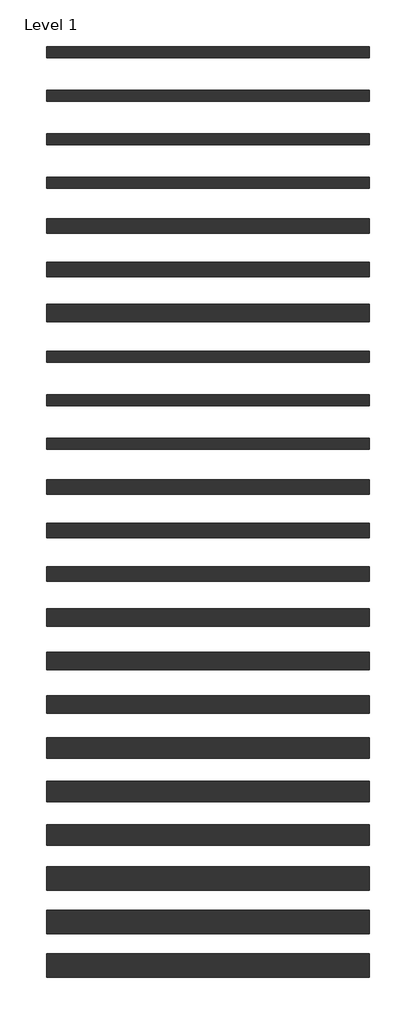
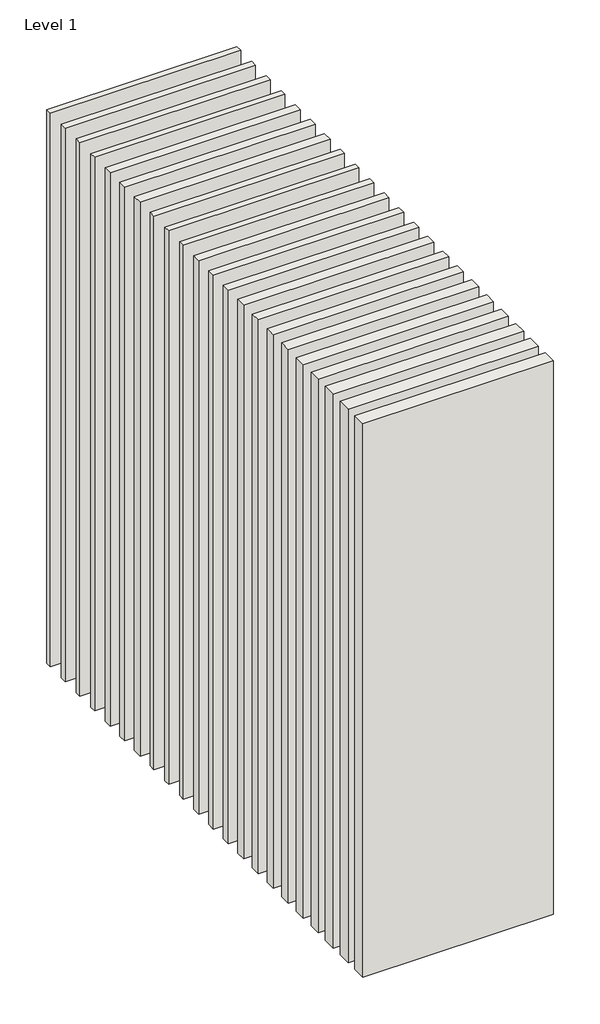
# One storey: 22 walls.
"""IFC4 building model written with IfcOpenShell, lengths in millimetres."""

from ifc_helpers import new_model, si_unit, origin, origin_with_axes, place, context, project, spatial, polyline, outline, extrude, element, save

model = new_model("IFC4")

# Units and contexts
model_context = context("Model", 3, world=origin())
ifc_project = project(units=[si_unit("LENGTHUNIT", "METRE", prefix="MILLI")], contexts=[model_context])

# Site, building, storey
site = spatial("IfcSite", under=ifc_project)
building = spatial("IfcBuilding", under=site)
storey = spatial("IfcBuildingStorey", under=building, Name="Level 1", Elevation=0.0)

# Walls
placement = place(None, origin())
element("IfcWall", 1, at=placement, inside=storey, context=model_context, shape_type="SweptSolid", body=[
    extrude(outline(polyline([(-16904.1464237, 3692.5198817), (-19504.1464237, 3692.5198817), (-19504.1464237, 3782.5198817), (-16904.1464237, 3782.5198817), (-16904.1464237, 3692.5198817)])), origin_with_axes(), (0.0, 0.0, 1.0), 8000.0),
])
element("IfcWall", 2, at=placement, inside=storey, context=model_context, shape_type="SweptSolid", body=[
    extrude(outline(polyline([(-16904.1464237, 3342.5198817), (-19504.1464237, 3342.5198817), (-19504.1464237, 3432.5198817), (-16904.1464237, 3432.5198817), (-16904.1464237, 3342.5198817)])), origin_with_axes(), (0.0, 0.0, 1.0), 8000.0),
])
element("IfcWall", 3, at=placement, inside=storey, context=model_context, shape_type="SweptSolid", body=[
    extrude(outline(polyline([(-16904.1464237, 2992.5198817), (-19504.1464237, 2992.5198817), (-19504.1464237, 3082.5198817), (-16904.1464237, 3082.5198817), (-16904.1464237, 2992.5198817)])), origin_with_axes(), (0.0, 0.0, 1.0), 8000.0),
])
element("IfcWall", 4, at=placement, inside=storey, context=model_context, shape_type="SweptSolid", body=[
    extrude(outline(polyline([(-16904.1464237, 2642.5198817), (-19504.1464237, 2642.5198817), (-19504.1464237, 2732.5198817), (-16904.1464237, 2732.5198817), (-16904.1464237, 2642.5198817)])), origin_with_axes(), (0.0, 0.0, 1.0), 8000.0),
])
element("IfcWall", 5, at=placement, inside=storey, context=model_context, shape_type="SweptSolid", body=[
    extrude(outline(polyline([(-16904.1464237, 2280.0198817), (-19504.1464237, 2280.0198817), (-19504.1464237, 2395.0198817), (-16904.1464237, 2395.0198817), (-16904.1464237, 2280.0198817)])), origin_with_axes(), (0.0, 0.0, 1.0), 8000.0),
])
element("IfcWall", 6, at=placement, inside=storey, context=model_context, shape_type="SweptSolid", body=[
    extrude(outline(polyline([(-16904.1464237, 1930.0198817), (-19504.1464237, 1930.0198817), (-19504.1464237, 2045.0198817), (-16904.1464237, 2045.0198817), (-16904.1464237, 1930.0198817)])), origin_with_axes(), (0.0, 0.0, 1.0), 8000.0),
])
element("IfcWall", 7, at=placement, inside=storey, context=model_context, shape_type="SweptSolid", body=[
    extrude(outline(polyline([(-16904.1464237, 1567.5198817), (-19504.1464237, 1567.5198817), (-19504.1464237, 1707.5198817), (-16904.1464237, 1707.5198817), (-16904.1464237, 1567.5198817)])), origin_with_axes(), (0.0, 0.0, 1.0), 8000.0),
])
element("IfcWall", 8, at=placement, inside=storey, context=model_context, shape_type="SweptSolid", body=[
    extrude(outline(polyline([(-16904.1464237, 1242.5198817), (-19504.1464237, 1242.5198817), (-19504.1464237, 1332.5198817), (-16904.1464237, 1332.5198817), (-16904.1464237, 1242.5198817)])), origin_with_axes(), (0.0, 0.0, 1.0), 8000.0),
])
element("IfcWall", 9, at=placement, inside=storey, context=model_context, shape_type="SweptSolid", body=[
    extrude(outline(polyline([(-16904.1464237, 892.5198817), (-19504.1464237, 892.5198817), (-19504.1464237, 982.5198817), (-16904.1464237, 982.5198817), (-16904.1464237, 892.5198817)])), origin_with_axes(), (0.0, 0.0, 1.0), 8000.0),
])
element("IfcWall", 10, at=placement, inside=storey, context=model_context, shape_type="SweptSolid", body=[
    extrude(outline(polyline([(-16904.1464237, 542.5198817), (-19504.1464237, 542.5198817), (-19504.1464237, 632.5198817), (-16904.1464237, 632.5198817), (-16904.1464237, 542.5198817)])), origin_with_axes(), (0.0, 0.0, 1.0), 8000.0),
])
element("IfcWall", 11, at=placement, inside=storey, context=model_context, shape_type="SweptSolid", body=[
    extrude(outline(polyline([(-16904.1464237, 180.0198817), (-19504.1464237, 180.0198817), (-19504.1464237, 295.0198817), (-16904.1464237, 295.0198817), (-16904.1464237, 180.0198817)])), origin_with_axes(), (0.0, 0.0, 1.0), 8000.0),
])
element("IfcWall", 12, at=placement, inside=storey, context=model_context, shape_type="SweptSolid", body=[
    extrude(outline(polyline([(-16904.1464237, -169.9801183), (-19504.1464237, -169.9801183), (-19504.1464237, -54.9801183), (-16904.1464237, -54.9801183), (-16904.1464237, -169.9801183)])), origin_with_axes(), (0.0, 0.0, 1.0), 8000.0),
])
element("IfcWall", 13, at=placement, inside=storey, context=model_context, shape_type="SweptSolid", body=[
    extrude(outline(polyline([(-16904.1464237, -519.9801183), (-19504.1464237, -519.9801183), (-19504.1464237, -404.9801183), (-16904.1464237, -404.9801183), (-16904.1464237, -519.9801183)])), origin_with_axes(), (0.0, 0.0, 1.0), 8000.0),
])
element("IfcWall", 14, at=placement, inside=storey, context=model_context, shape_type="SweptSolid", body=[
    extrude(outline(polyline([(-16904.1464237, -882.4801183), (-19504.1464237, -882.4801183), (-19504.1464237, -742.4801183), (-16904.1464237, -742.4801183), (-16904.1464237, -882.4801183)])), origin_with_axes(), (0.0, 0.0, 1.0), 8000.0),
])
element("IfcWall", 15, at=placement, inside=storey, context=model_context, shape_type="SweptSolid", body=[
    extrude(outline(polyline([(-16904.1464237, -1232.4801183), (-19504.1464237, -1232.4801183), (-19504.1464237, -1092.4801183), (-16904.1464237, -1092.4801183), (-16904.1464237, -1232.4801183)])), origin_with_axes(), (0.0, 0.0, 1.0), 8000.0),
])
element("IfcWall", 16, at=placement, inside=storey, context=model_context, shape_type="SweptSolid", body=[
    extrude(outline(polyline([(-16904.1464237, -1582.4801183), (-19504.1464237, -1582.4801183), (-19504.1464237, -1442.4801183), (-16904.1464237, -1442.4801183), (-16904.1464237, -1582.4801183)])), origin_with_axes(), (0.0, 0.0, 1.0), 8000.0),
])
element("IfcWall", 17, at=placement, inside=storey, context=model_context, shape_type="SweptSolid", body=[
    extrude(outline(polyline([(-16904.1464237, -1944.9801183), (-19504.1464237, -1944.9801183), (-19504.1464237, -1779.9801183), (-16904.1464237, -1779.9801183), (-16904.1464237, -1944.9801183)])), origin_with_axes(), (0.0, 0.0, 1.0), 8000.0),
])
element("IfcWall", 18, at=placement, inside=storey, context=model_context, shape_type="SweptSolid", body=[
    extrude(outline(polyline([(-16904.1464237, -2294.9801183), (-19504.1464237, -2294.9801183), (-19504.1464237, -2129.9801183), (-16904.1464237, -2129.9801183), (-16904.1464237, -2294.9801183)])), origin_with_axes(), (0.0, 0.0, 1.0), 8000.0),
])
element("IfcWall", 19, at=placement, inside=storey, context=model_context, shape_type="SweptSolid", body=[
    extrude(outline(polyline([(-16904.1464237, -2644.9801183), (-19504.1464237, -2644.9801183), (-19504.1464237, -2479.9801183), (-16904.1464237, -2479.9801183), (-16904.1464237, -2644.9801183)])), origin_with_axes(), (0.0, 0.0, 1.0), 8000.0),
])
element("IfcWall", 20, at=placement, inside=storey, context=model_context, shape_type="SweptSolid", body=[
    extrude(outline(polyline([(-16904.1464237, -3007.4801183), (-19504.1464237, -3007.4801183), (-19504.1464237, -2817.4801183), (-16904.1464237, -2817.4801183), (-16904.1464237, -3007.4801183)])), origin_with_axes(), (0.0, 0.0, 1.0), 8000.0),
])
element("IfcWall", 21, at=placement, inside=storey, context=model_context, shape_type="SweptSolid", body=[
    extrude(outline(polyline([(-16904.1464237, -3357.4801183), (-19504.1464237, -3357.4801183), (-19504.1464237, -3167.4801183), (-16904.1464237, -3167.4801183), (-16904.1464237, -3357.4801183)])), origin_with_axes(), (0.0, 0.0, 1.0), 8000.0),
])
element("IfcWall", 22, at=placement, inside=storey, context=model_context, shape_type="SweptSolid", body=[
    extrude(outline(polyline([(-16904.1464237, -3707.4801183), (-19504.1464237, -3707.4801183), (-19504.1464237, -3517.4801183), (-16904.1464237, -3517.4801183), (-16904.1464237, -3707.4801183)])), origin_with_axes(), (0.0, 0.0, 1.0), 8000.0),
])

save(model, "model.ifc")
